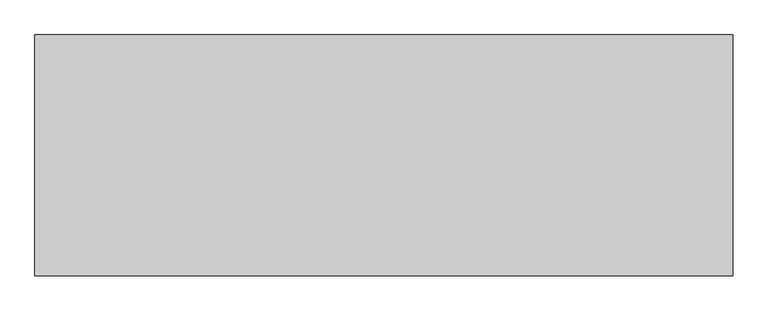
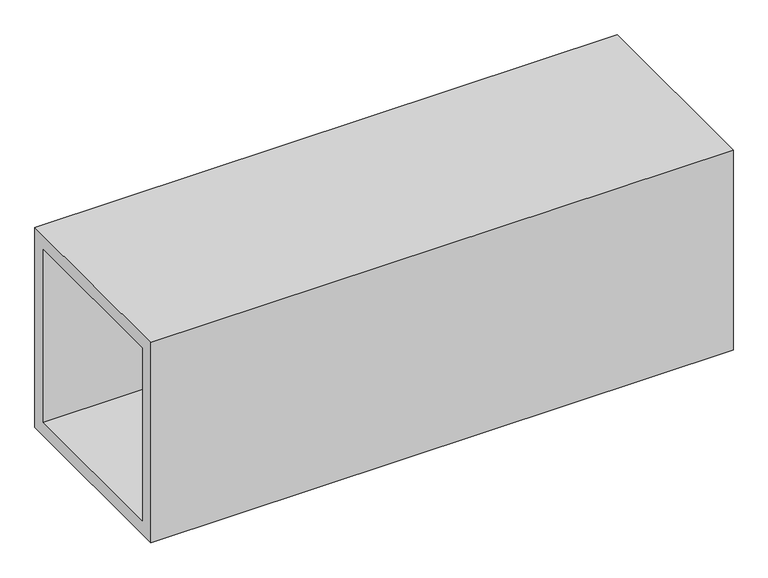
"""IFC4 building model written with IfcOpenShell, lengths in millimetres: proxy geometry."""

from ifc_helpers import new_model, si_unit, frame, origin, place, context, project, spatial, polyline, outline, extrude, source, transform, mapped, element, save


def generic_models_20e8eb56(model_context):
    return source(origin(), model_context, "Body", "SweptSolid", [
        extrude(outline(polyline([(-345.0, 345.0), (345.0, 345.0), (345.0, -382.1533408), (-345.0, -382.1533408), (-345.0, 345.0)]), holes=[polyline([(-295.0, 295.0), (-295.0, -332.1533408), (295.0, -332.1533408), (295.0, 295.0), (-295.0, 295.0)])]), frame((-1000.0, 0.0, 0.0), z_axis=(1.0, 0.0, 0.0), x_axis=(0.0, 1.0, 0.0)), (0.0, 0.0, 1.0), 2000.0),
    ])


if __name__ == "__main__":
    model = new_model("IFC4")
    model_context = context("Model", 3, world=origin())
    ifc_project = project(units=[si_unit("LENGTHUNIT", "METRE", prefix="MILLI")], contexts=[model_context])
    site = spatial("IfcSite", under=ifc_project)
    building = spatial("IfcBuilding", under=site)
    placement = place(None, origin())
    generic_models_shape = generic_models_20e8eb56(model_context)
    element("IfcBuildingElementProxy", 1, Name="Generic Models", at=placement, inside=building, context=model_context, shape_type="MappedRepresentation", body=[
        mapped(generic_models_shape, transform((0.0, 0.0, 0.0), x_axis=(1.0, 0.0, 0.0), y_axis=(0.0, 1.0, 0.0), z_axis=(0.0, 0.0, 1.0))),
    ])
    save(model, "model.ifc")
